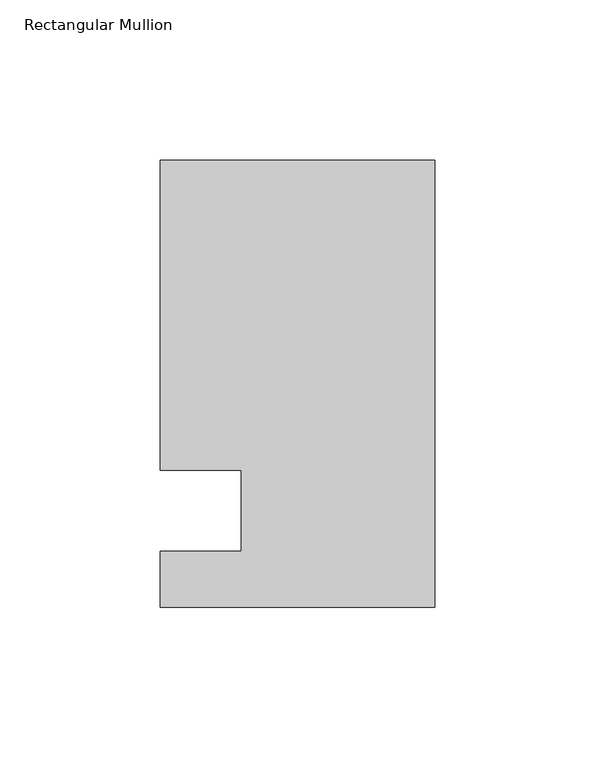
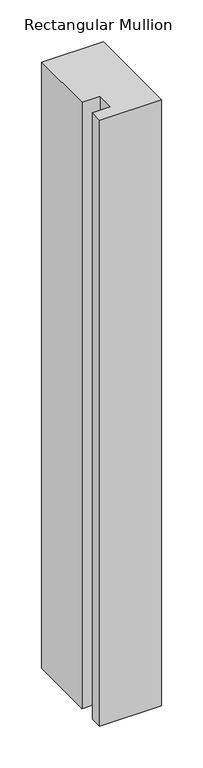
"""IFC4 building model written with IfcOpenShell, lengths in millimetres: member geometry, Rectangular Mullion."""

from ifc_helpers import new_model, si_unit, frame, origin, place, context, project, spatial, polyline, outline, extrude, source, transform, mapped, element, save


def rectangular_mullion_843b5a6b(model_context):
    return source(origin(), model_context, "Body", "SweptSolid", [
        extrude(outline(polyline([(-85.725, 109.5375), (0.0, 109.5375), (0.0, -30.1625), (-85.725, -30.1625), (-85.725, -12.7), (-60.325, -12.7), (-60.325, 12.7), (-85.725, 12.7), (-85.725, 109.5375)])), frame((0.0, 0.0, -887.8405973), z_axis=(0.0, 0.0, 1.0), x_axis=(1.0, 0.0, 0.0)), (0.0, 0.0, 1.0), 887.8405973),
    ])


if __name__ == "__main__":
    model = new_model("IFC4")
    model_context = context("Model", 3, world=origin())
    ifc_project = project(units=[si_unit("LENGTHUNIT", "METRE", prefix="MILLI")], contexts=[model_context])
    site = spatial("IfcSite", under=ifc_project)
    building = spatial("IfcBuilding", under=site)
    placement = place(None, origin())
    rectangular_mullion_shape = rectangular_mullion_843b5a6b(model_context)
    element("IfcMember", 1, ObjectType="Rectangular Mullion", at=placement, inside=building, context=model_context, shape_type="MappedRepresentation", body=[
        mapped(rectangular_mullion_shape, transform((0.0, 0.0, 0.0), x_axis=(1.0, 0.0, 0.0), y_axis=(0.0, 1.0, 0.0), z_axis=(0.0, 0.0, 1.0))),
    ])
    save(model, "model.ifc")
